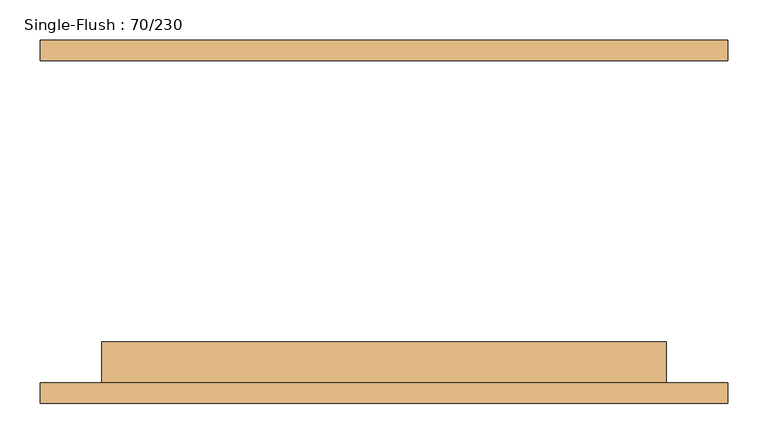
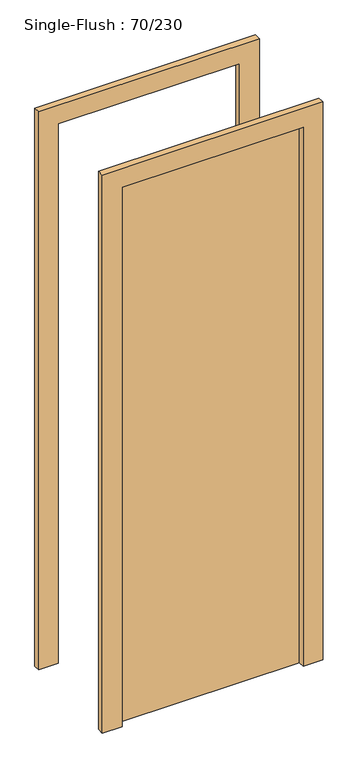
"""IFC4 building model written with IfcOpenShell, lengths in millimetres: door geometry, Single-Flush : 70/230."""

from ifc_helpers import new_model, si_unit, frame, origin, origin_with_axes, place, context, project, spatial, polyline, outline, extrude, source, transform, mapped, element, save


def single_flush_70_230_86623aa5(model_context):
    return source(origin(), model_context, "Body", "SweptSolid", [
        extrude(outline(polyline([(2276.2, -426.2), (0.0, -426.2), (0.0, -350.0), (2200.0, -350.0), (2200.0, 350.0), (0.0, 350.0), (0.0, 426.2), (2276.2, 426.2), (2276.2, -426.2)])), frame((0.0, -225.4, 0.0), z_axis=(0.0, 1.0, 0.0), x_axis=(0.0, 0.0, 1.0)), (0.0, 0.0, 1.0), 25.4),
        extrude(outline(polyline([(2276.2, 426.2), (2276.2, -426.2), (0.0, -426.2), (0.0, -350.0), (2200.0, -350.0), (2200.0, 350.0), (0.0, 350.0), (0.0, 426.2), (2276.2, 426.2)])), frame((0.0, 200.0, 0.0), z_axis=(0.0, 1.0, 0.0), x_axis=(0.0, 0.0, 1.0)), (0.0, 0.0, 1.0), 25.4),
        extrude(outline(polyline([(350.0, -149.2), (350.0, -200.0), (-350.0, -200.0), (-350.0, -149.2), (350.0, -149.2)])), origin_with_axes(), (0.0, 0.0, 1.0), 2200.0),
    ])


if __name__ == "__main__":
    model = new_model("IFC4")
    model_context = context("Model", 3, world=origin())
    ifc_project = project(units=[si_unit("LENGTHUNIT", "METRE", prefix="MILLI")], contexts=[model_context])
    site = spatial("IfcSite", under=ifc_project)
    building = spatial("IfcBuilding", under=site)
    placement = place(None, origin())
    single_flush_70_230_shape = single_flush_70_230_86623aa5(model_context)
    element("IfcDoor", 1, ObjectType="Single-Flush : 70/230", at=placement, inside=building, context=model_context, shape_type="MappedRepresentation", body=[
        mapped(single_flush_70_230_shape, transform((0.0, 0.0, 0.0), x_axis=(1.0, 0.0, 0.0), y_axis=(0.0, 1.0, 0.0), z_axis=(0.0, 0.0, 1.0))),
    ])
    save(model, "model.ifc")
